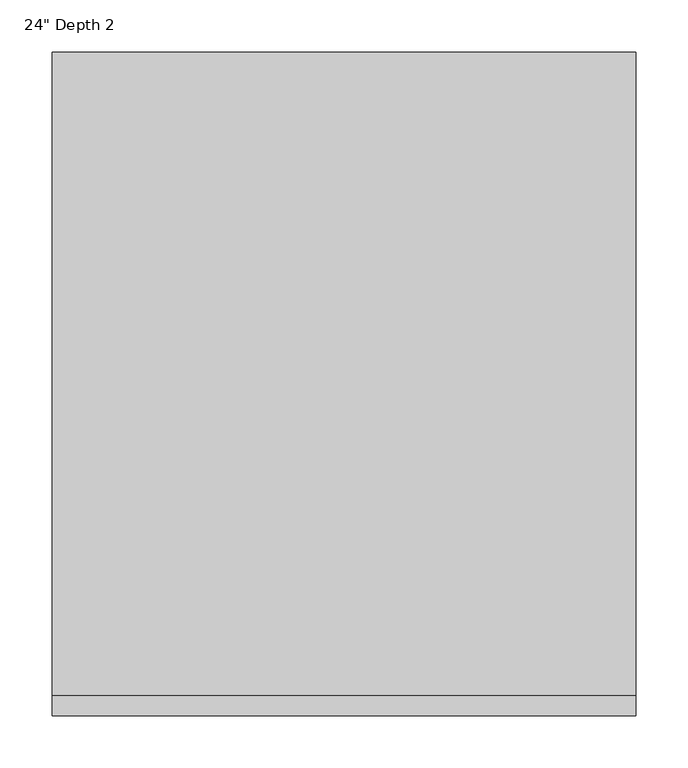
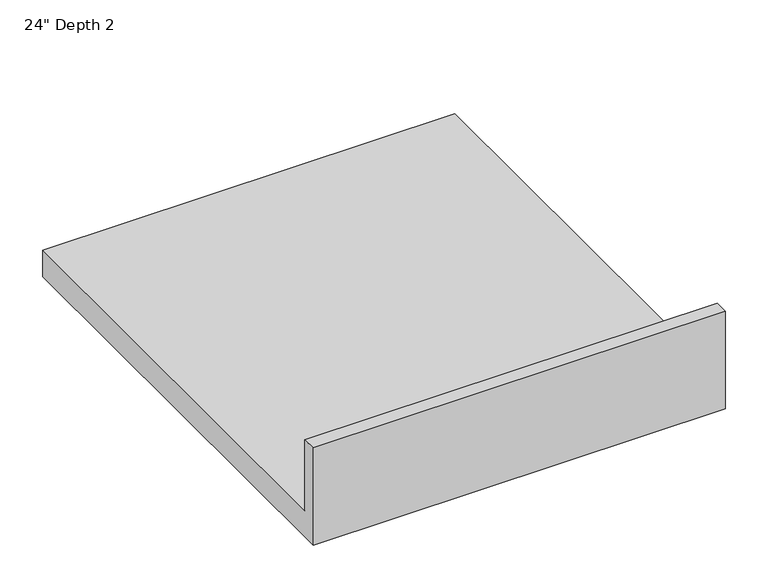
"""IFC4 building model written with IfcOpenShell, lengths in millimetres: furniture geometry."""

from ifc_helpers import new_model, si_unit, frame, origin, place, context, project, spatial, polyline, outline, extrude, source, transform, mapped, element, save


def furniture_c6b96399(model_context):
    return source(origin(), model_context, "Body", "SweptSolid", [
        extrude(outline(polyline([(0.0, 1016.0), (19.05, 1016.0), (19.05, 914.4), (635.0, 914.4), (635.0, 876.3), (0.0, 876.3), (0.0, 1016.0)])), frame((-1225.8622951, 0.0, 0.0), z_axis=(1.0, 0.0, 0.0), x_axis=(0.0, 1.0, 0.0)), (0.0, 0.0, 1.0), 558.8),
    ])


if __name__ == "__main__":
    model = new_model("IFC4")
    model_context = context("Model", 3, world=origin())
    ifc_project = project(units=[si_unit("LENGTHUNIT", "METRE", prefix="MILLI")], contexts=[model_context])
    site = spatial("IfcSite", under=ifc_project)
    building = spatial("IfcBuilding", under=site)
    placement = place(None, origin())
    furniture_shape = furniture_c6b96399(model_context)
    element("IfcFurniture", 1, ObjectType="24\" Depth 2", at=placement, inside=building, context=model_context, shape_type="MappedRepresentation", body=[
        mapped(furniture_shape, transform((0.0, 0.0, 0.0), x_axis=(1.0, 0.0, 0.0), y_axis=(0.0, 1.0, 0.0), z_axis=(0.0, 0.0, 1.0))),
    ])
    save(model, "model.ifc")
